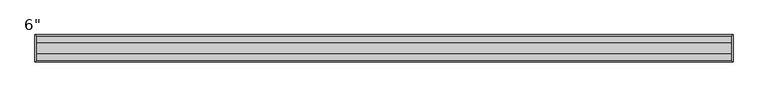
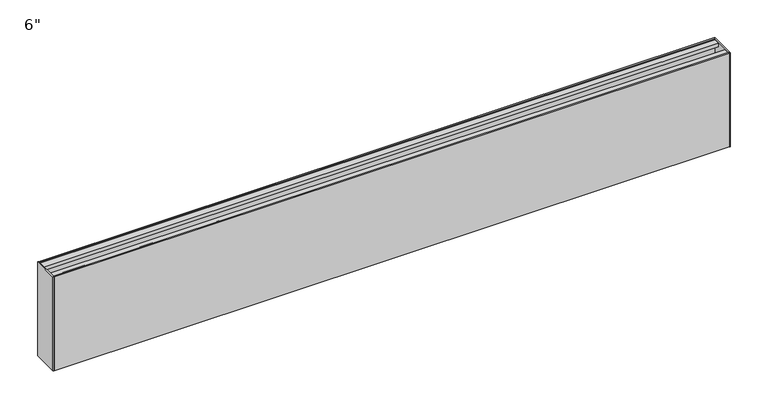
"""IFC4 building model written with IfcOpenShell, lengths in millimetres: proxy geometry."""

from ifc_helpers import new_model, si_unit, frame, origin, origin_with_axes, place, context, project, spatial, polyline, outline, extrude, source, transform, mapped, element, save


def proxy_050a8f8f(model_context):
    return source(origin(), model_context, "Body", "SweptSolid", [
        extrude(outline(polyline([(20.5, 152.4), (20.5, 0.0), (-20.5, 0.0), (-20.5, 152.4), (-18.5, 152.4), (-18.5, 150.65), (-8.5, 150.65), (-8.5, 145.0), (-9.5, 145.0), (-13.15, 148.65), (-18.5, 148.65), (-18.5, 125.25), (18.5, 125.25), (18.5, 148.65), (13.15, 148.65), (9.5, 145.0), (8.5, 145.0), (8.5, 150.65), (18.5, 150.65), (18.5, 152.4), (20.5, 152.4)]), holes=[polyline([(18.5, 123.25), (-18.5, 123.25), (-18.5, 2.0), (18.5, 2.0), (18.5, 123.25)])]), frame((1.651, 0.0, 0.0), z_axis=(1.0, 0.0, 0.0), x_axis=(0.0, 1.0, 0.0)), (0.0, 0.0, 1.0), 1038.098),
        extrude(outline(polyline([(0.0, -20.5), (0.0, 20.5), (1.651, 20.5), (1.651, -20.5), (0.0, -20.5)])), origin_with_axes(), (0.0, 0.0, 1.0), 152.4),
        extrude(outline(polyline([(1041.4, -20.5), (1039.749, -20.5), (1039.749, 20.5), (1041.4, 20.5), (1041.4, -20.5)])), origin_with_axes(), (0.0, 0.0, 1.0), 152.4),
    ])


if __name__ == "__main__":
    model = new_model("IFC4")
    model_context = context("Model", 3, world=origin())
    ifc_project = project(units=[si_unit("LENGTHUNIT", "METRE", prefix="MILLI")], contexts=[model_context])
    site = spatial("IfcSite", under=ifc_project)
    building = spatial("IfcBuilding", under=site)
    placement = place(None, origin())
    proxy_shape = proxy_050a8f8f(model_context)
    element("IfcBuildingElementProxy", 1, Name="6\"", ObjectType="6\"", at=placement, inside=building, context=model_context, shape_type="MappedRepresentation", body=[
        mapped(proxy_shape, transform((0.0, 0.0, 0.0), x_axis=(1.0, 0.0, 0.0), y_axis=(0.0, 1.0, 0.0), z_axis=(0.0, 0.0, 1.0))),
    ])
    save(model, "model.ifc")
